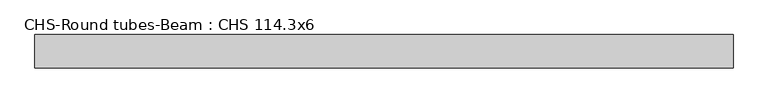
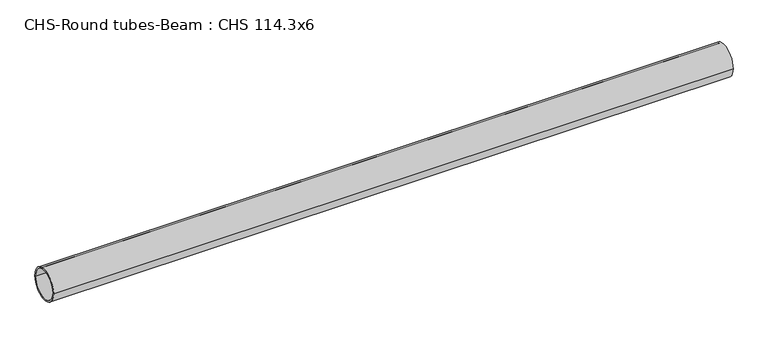
"""IFC4 building model written with IfcOpenShell, lengths in millimetres: beam geometry, CHS-Round tubes-Beam : CHS 114.3x6."""

from ifc_helpers import new_model, si_unit, point, frame, origin, origin_2d, place, context, project, spatial, circle_curve, trimmed, segment, composite_curve, outline, extrude, source, transform, mapped, element, save


def chs_round_tubes_beam_chs_114_3x6_618db32e(model_context):
    return source(origin(), model_context, "Body", "SweptSolid", [
        extrude(outline(composite_curve([segment(trimmed(circle_curve(origin_2d(), 57.15), [point((57.15, 0.0))], [point((-57.15, 0.0))], False, "CARTESIAN"), True, "CONTINUOUS"), segment(trimmed(circle_curve(origin_2d(), 57.15), [point((-57.15, 0.0))], [point((57.15, 0.0))], False, "CARTESIAN"), True, "CONTINUOUS")], self_intersect=False), holes=[composite_curve([segment(trimmed(circle_curve(origin_2d(), 51.15), [point((51.15, 0.0))], [point((-51.15, 0.0))], True, "CARTESIAN"), True, "CONTINUOUS"), segment(trimmed(circle_curve(origin_2d(), 51.15), [point((-51.15, 0.0))], [point((51.15, 0.0))], True, "CARTESIAN"), True, "CONTINUOUS")], self_intersect=False)]), frame((-1152.9579707, 0.0, 0.0), z_axis=(1.0, 0.0, 0.0), x_axis=(0.0, 1.0, 0.0)), (0.0, 0.0, 1.0), 2403.0103808),
    ])


if __name__ == "__main__":
    model = new_model("IFC4")
    model_context = context("Model", 3, world=origin())
    ifc_project = project(units=[si_unit("LENGTHUNIT", "METRE", prefix="MILLI")], contexts=[model_context])
    site = spatial("IfcSite", under=ifc_project)
    building = spatial("IfcBuilding", under=site)
    placement = place(None, origin())
    chs_round_tubes_beam_chs_114_3x6_shape = chs_round_tubes_beam_chs_114_3x6_618db32e(model_context)
    element("IfcBeam", 1, ObjectType="CHS-Round tubes-Beam : CHS 114.3x6", at=placement, inside=building, context=model_context, shape_type="MappedRepresentation", body=[
        mapped(chs_round_tubes_beam_chs_114_3x6_shape, transform((0.0, 0.0, 0.0), x_axis=(1.0, 0.0, 0.0), y_axis=(0.0, 1.0, 0.0), z_axis=(0.0, 0.0, 1.0))),
    ])
    save(model, "model.ifc")
